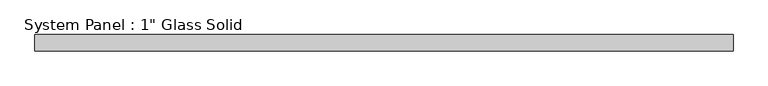
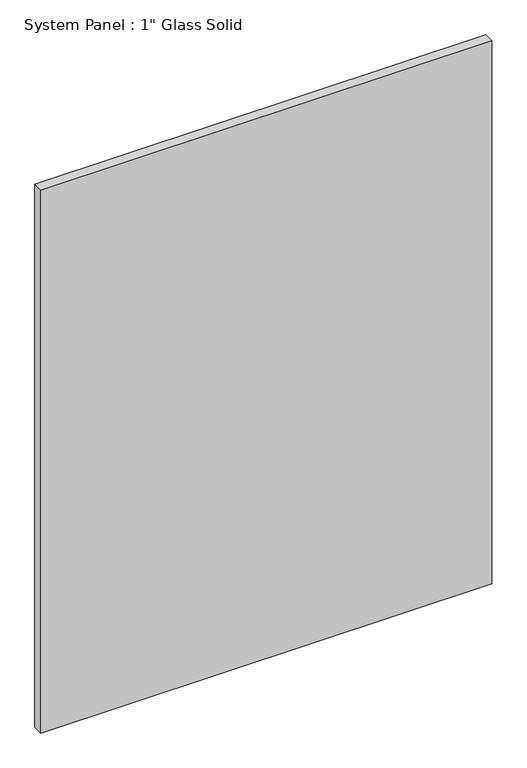
"""IFC4 building model written with IfcOpenShell, lengths in millimetres: plate geometry."""

from ifc_helpers import new_model, si_unit, origin, origin_with_axes, place, context, project, spatial, polyline, outline, extrude, source, transform, mapped, element, save


def plate_84a52df5(model_context):
    return source(origin(), model_context, "Body", "SweptSolid", [
        extrude(outline(polyline([(543.9345691, -12.7), (-543.9345691, -12.7), (-543.9345691, 12.7), (543.9345691, 12.7), (543.9345691, -12.7)])), origin_with_axes(), (0.0, 0.0, 1.0), 1385.0491382),
    ])


if __name__ == "__main__":
    model = new_model("IFC4")
    model_context = context("Model", 3, world=origin())
    ifc_project = project(units=[si_unit("LENGTHUNIT", "METRE", prefix="MILLI")], contexts=[model_context])
    site = spatial("IfcSite", under=ifc_project)
    building = spatial("IfcBuilding", under=site)
    placement = place(None, origin())
    plate_shape = plate_84a52df5(model_context)
    element("IfcPlate", 1, ObjectType="System Panel : 1\" Glass Solid", at=placement, inside=building, context=model_context, shape_type="MappedRepresentation", body=[
        mapped(plate_shape, transform((0.0, 0.0, 0.0), x_axis=(1.0, 0.0, 0.0), y_axis=(0.0, 1.0, 0.0), z_axis=(0.0, 0.0, 1.0))),
    ])
    save(model, "model.ifc")
